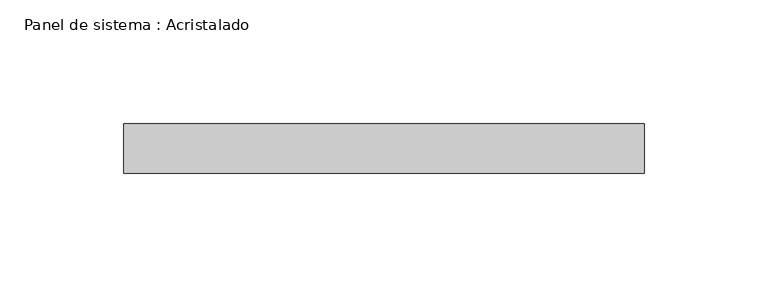
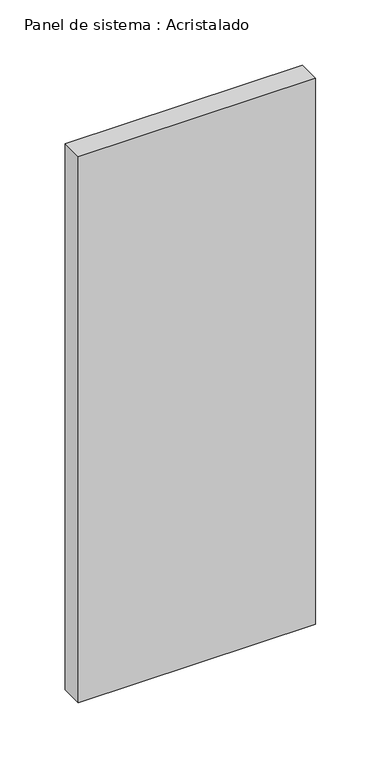
"""IFC4 building model written with IfcOpenShell, lengths in millimetres: plate geometry, Panel de sistema : Acristalado."""

from ifc_helpers import new_model, si_unit, origin, origin_with_axes, place, context, project, spatial, polyline, outline, extrude, source, transform, mapped, element, save


def panel_de_sistema_acristalado_d5addfdf(model_context):
    return source(origin(), model_context, "Body", "SweptSolid", [
        extrude(outline(polyline([(105.0, -10.0), (-105.0, -10.0), (-105.0, 10.0), (105.0, 10.0), (105.0, -10.0)])), origin_with_axes(), (0.0, 0.0, 1.0), 510.0),
    ])


if __name__ == "__main__":
    model = new_model("IFC4")
    model_context = context("Model", 3, world=origin())
    ifc_project = project(units=[si_unit("LENGTHUNIT", "METRE", prefix="MILLI")], contexts=[model_context])
    site = spatial("IfcSite", under=ifc_project)
    building = spatial("IfcBuilding", under=site)
    placement = place(None, origin())
    panel_de_sistema_acristalado_shape = panel_de_sistema_acristalado_d5addfdf(model_context)
    element("IfcPlate", 1, ObjectType="Panel de sistema : Acristalado", at=placement, inside=building, context=model_context, shape_type="MappedRepresentation", body=[
        mapped(panel_de_sistema_acristalado_shape, transform((0.0, 0.0, 0.0), x_axis=(1.0, 0.0, 0.0), y_axis=(0.0, 1.0, 0.0), z_axis=(0.0, 0.0, 1.0))),
    ])
    save(model, "model.ifc")
